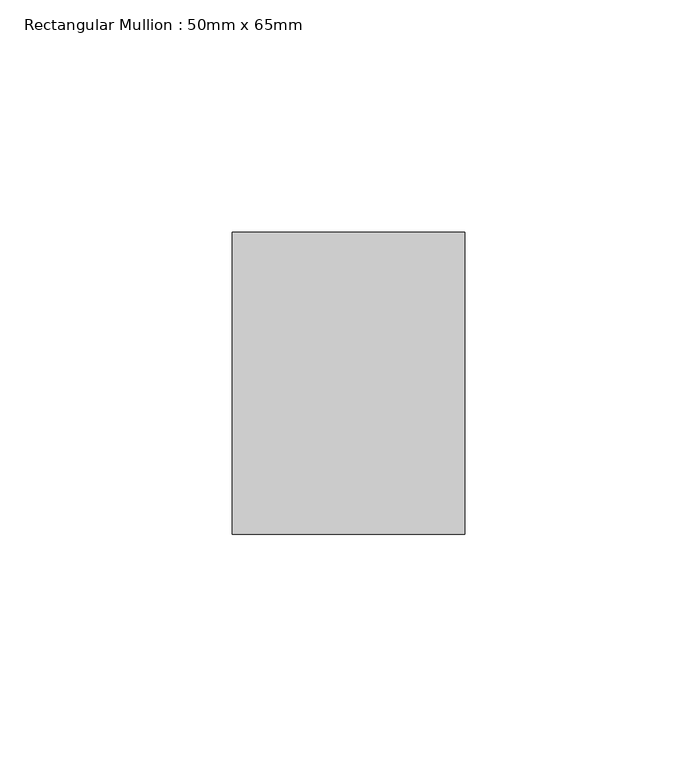
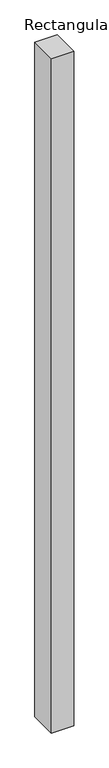
"""IFC4 building model written with IfcOpenShell, lengths in millimetres: member geometry, Rectangular Mullion : 50mm x 65mm."""

from ifc_helpers import new_model, si_unit, frame, origin, place, context, project, spatial, polyline, outline, extrude, source, transform, mapped, element, save


def rectangular_mullion_50mm_x_65mm_dd15aba9(model_context):
    return source(origin(), model_context, "Body", "SweptSolid", [
        extrude(outline(polyline([(25.0, 32.5), (25.0, -32.5), (-25.0, -32.5), (-25.0, 32.5), (25.0, 32.5)])), frame((0.0, 0.0, -1612.9641912), z_axis=(0.0, 0.0, 1.0), x_axis=(1.0, 0.0, 0.0)), (0.0, 0.0, 1.0), 1612.9641912),
    ])


if __name__ == "__main__":
    model = new_model("IFC4")
    model_context = context("Model", 3, world=origin())
    ifc_project = project(units=[si_unit("LENGTHUNIT", "METRE", prefix="MILLI")], contexts=[model_context])
    site = spatial("IfcSite", under=ifc_project)
    building = spatial("IfcBuilding", under=site)
    placement = place(None, origin())
    rectangular_mullion_50mm_x_65mm_shape = rectangular_mullion_50mm_x_65mm_dd15aba9(model_context)
    element("IfcMember", 1, ObjectType="Rectangular Mullion : 50mm x 65mm", at=placement, inside=building, context=model_context, shape_type="MappedRepresentation", body=[
        mapped(rectangular_mullion_50mm_x_65mm_shape, transform((0.0, 0.0, 0.0), x_axis=(1.0, 0.0, 0.0), y_axis=(0.0, 1.0, 0.0), z_axis=(0.0, 0.0, 1.0))),
    ])
    save(model, "model.ifc")
